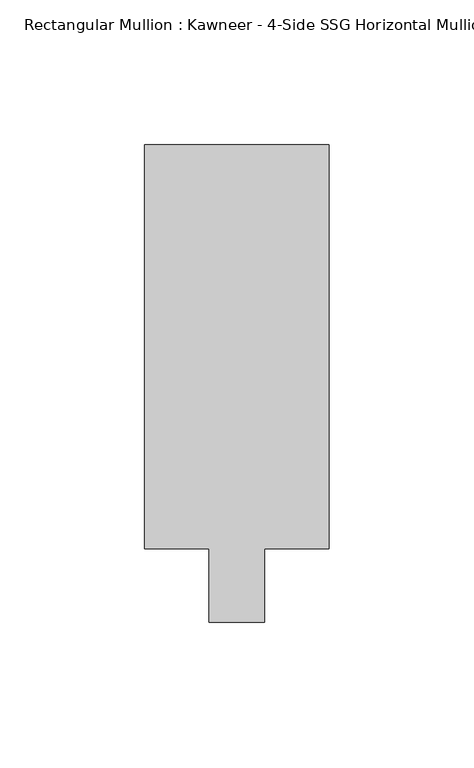
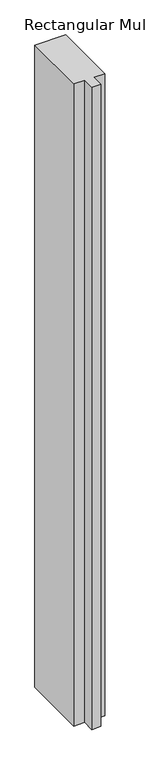
"""IFC4 building model written with IfcOpenShell, lengths in millimetres: member geometry."""

from ifc_helpers import new_model, si_unit, frame, origin, place, context, project, spatial, polyline, outline, extrude, source, transform, mapped, element, save


def member_3c23977f(model_context):
    return source(origin(), model_context, "Body", "SweptSolid", [
        extrude(outline(polyline([(-31.75, 151.892), (31.75, 151.892), (31.75, 12.7), (9.5251132, 12.7), (9.5251132, -12.7), (-9.5251132, -12.7), (-9.5251132, 12.7), (-31.75, 12.7), (-31.75, 151.892)])), frame((0.0, 0.0, -1402.268147), z_axis=(0.0, 0.0, 1.0), x_axis=(1.0, 0.0, 0.0)), (0.0, 0.0, 1.0), 1402.268147),
    ])


if __name__ == "__main__":
    model = new_model("IFC4")
    model_context = context("Model", 3, world=origin())
    ifc_project = project(units=[si_unit("LENGTHUNIT", "METRE", prefix="MILLI")], contexts=[model_context])
    site = spatial("IfcSite", under=ifc_project)
    building = spatial("IfcBuilding", under=site)
    placement = place(None, origin())
    member_shape = member_3c23977f(model_context)
    element("IfcMember", 1, ObjectType="Rectangular Mullion : Kawneer - 4-Side SSG Horizontal Mullion - 6 1/2\"", at=placement, inside=building, context=model_context, shape_type="MappedRepresentation", body=[
        mapped(member_shape, transform((0.0, 0.0, 0.0), x_axis=(1.0, 0.0, 0.0), y_axis=(0.0, 1.0, 0.0), z_axis=(0.0, 0.0, 1.0))),
    ])
    save(model, "model.ifc")
